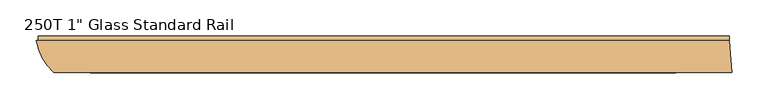
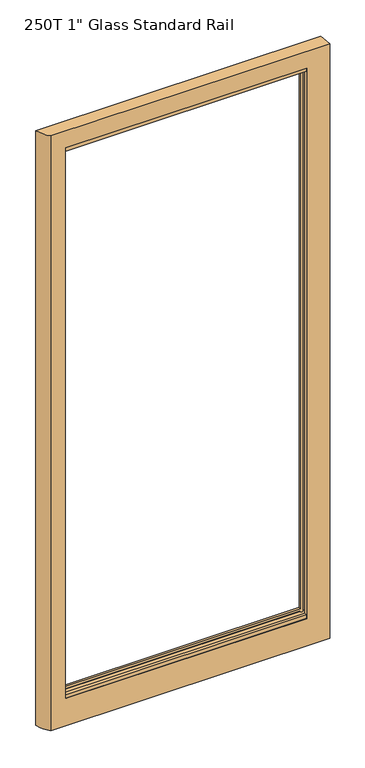
"""IFC4 building model written with IfcOpenShell, lengths in millimetres: door geometry."""

from ifc_helpers import new_model, si_unit, frame, origin, place, context, project, spatial, polyline, circle_curve, outline, extrude, source, transform, mapped, element, save
from ifc_brep_helpers import plane_surface, cylinder_surface, advanced_brep


def door_a4904df4(model_context):
    return source(origin(), model_context, "Body", "SolidModel", [
        advanced_brep(
        [(-479.6437266, -12.7, 2127.25), (476.6373512, -12.7, 2127.25), (476.6373512, -12.7, 17.4625), (-479.6437266, -12.7, 17.4625), (403.225, -12.7, 127.0), (403.225, -12.7, 2054.225), (-404.8125, -12.7, 2054.225), (-404.8125, -12.7, 127.0), (-404.8125, -15.875, 119.3799225), (-404.8125, -15.875, 114.3), (403.225, -15.875, 114.3), (403.225, -15.875, 119.3799225), (403.225, -53.975, 119.3799225), (403.225, -53.975, 114.3), (-404.8125, -53.975, 114.3), (-404.8125, -53.975, 119.3799225), (-404.8125, -55.5625, 127.0), (-404.8125, -55.5625, 114.3), (403.225, -55.5625, 114.3), (403.225, -55.5625, 127.0), (-404.8125, -53.975, 2061.5671875), (-404.8125, -53.975, 2066.925), (403.225, -53.975, 2066.925), (403.225, -53.975, 2061.5671875), (403.225, -15.875, 2061.5671875), (403.225, -15.875, 2066.925), (-404.8125, -15.875, 2066.925), (-404.8125, -15.875, 2061.5671875), (403.225, -55.5625, 2054.225), (403.225, -55.5625, 2066.925), (-404.8125, -55.5625, 2066.925), (-404.8125, -55.5625, 2054.225), (-404.8125, -19.84375, 127.0), (403.225, -19.84375, 127.0), (-404.8125, -19.84375, 119.3799225), (403.225, -19.84375, 119.3799225), (403.225, -45.24375, 119.3799225), (-404.8125, -45.24375, 119.3799225), (-404.8125, -45.24375, 127.0), (403.225, -45.24375, 127.0), (403.225, -19.84375, 2061.5671875), (-404.8125, -19.84375, 2061.5671875), (-404.8125, -19.84375, 2054.225), (403.225, -19.84375, 2054.225), (-404.8125, -45.24375, 2054.225), (403.225, -45.24375, 2054.225), (-404.8125, -45.24375, 2061.5671875), (403.225, -45.24375, 2061.5671875), (-455.6012723, -57.15, 2127.25), (480.21875, -57.15, 2127.25), (480.21875, -57.15, 17.4625), (-455.6012723, -57.15, 17.4625), (-423.8625, -15.875, 114.3), (-423.8625, -15.875, 2066.925), (-423.8625, -55.5625, 2066.925), (-423.8625, -55.5625, 114.3), (-404.8125, -57.15, 114.3), (-404.8125, -57.15, 2066.925), (403.225, -57.15, 2066.925), (403.225, -57.15, 114.3), (422.275, -55.5625, 114.3), (422.275, -55.5625, 2066.925), (422.275, -15.875, 2066.925), (422.275, -15.875, 114.3), (-404.8125, -19.84375, 114.3), (-412.1277013, -19.84375, 114.3), (-412.1277013, -15.875, 114.3), (-412.1277013, -55.5625, 114.3), (-412.1277013, -45.24375, 114.3), (-404.8125, -45.24375, 114.3), (403.225, -45.24375, 114.3), (410.5671875, -45.24375, 114.3), (410.5671875, -55.5625, 114.3), (410.5671875, -15.875, 114.3), (410.5671875, -19.84375, 114.3), (403.225, -19.84375, 114.3), (-404.8125, -45.24375, 2066.925), (-412.1277013, -45.24375, 2066.925), (-412.1277013, -55.5625, 2066.925), (-412.1277013, -15.875, 2066.925), (-412.1277013, -19.84375, 2066.925), (-404.8125, -19.84375, 2066.925), (403.225, -19.84375, 2066.925), (410.5671875, -19.84375, 2066.925), (410.5671875, -15.875, 2066.925), (410.5671875, -55.5625, 2066.925), (410.5671875, -45.24375, 2066.925), (403.225, -45.24375, 2066.925)],
        [
            (0, 1),
            (1, 2),
            (2, 3),
            (3, 0),
            (4, 5),
            (5, 6),
            (6, 7),
            (7, 4),
            (8, 9),
            (9, 10),
            (10, 11),
            (11, 8),
            (12, 13),
            (13, 14),
            (14, 15),
            (15, 12),
            (16, 17),
            (17, 18),
            (18, 19),
            (19, 16),
            (20, 21),
            (21, 22),
            (22, 23),
            (23, 20),
            (24, 25),
            (25, 26),
            (26, 27),
            (27, 24),
            (28, 29),
            (29, 30),
            (30, 31),
            (31, 28),
            (7, 32),
            (32, 33),
            (33, 4),
            (34, 8),
            (11, 35),
            (35, 34),
            (36, 12),
            (15, 37),
            (37, 36),
            (38, 16),
            (19, 39),
            (39, 38),
            (40, 24),
            (27, 41),
            (41, 40),
            (42, 6),
            (5, 43),
            (43, 42),
            (31, 44),
            (44, 45),
            (45, 28),
            (46, 20),
            (23, 47),
            (47, 46),
            (48, 49),
            (49, 1),
            (0, 48, circle_curve(frame((-403.0527085, 0.0, 2127.25), z_axis=(0.0, 0.0, 1.0), x_axis=(1.0, 0.0, 0.0)), 77.6368087)),
            (2, 50),
            (50, 51),
            (51, 3, circle_curve(frame((-403.0527085, 0.0, 17.4625), z_axis=(0.0, 0.0, -1.0), x_axis=(1.0, 0.0, 0.0)), 77.6368087)),
            (51, 48),
            (52, 53),
            (53, 54),
            (54, 55),
            (55, 52),
            (50, 49),
            (56, 57),
            (57, 58),
            (58, 59),
            (59, 56),
            (60, 61),
            (61, 62),
            (62, 63),
            (63, 60),
            (9, 64),
            (64, 65),
            (65, 66),
            (66, 52),
            (55, 67),
            (67, 68),
            (68, 69),
            (69, 14),
            (13, 70),
            (70, 71),
            (71, 72),
            (72, 60),
            (63, 73),
            (73, 74),
            (74, 75),
            (75, 10),
            (17, 56),
            (59, 18),
            (21, 76),
            (76, 77),
            (77, 78),
            (78, 54),
            (53, 79),
            (79, 80),
            (80, 81),
            (81, 26),
            (25, 82),
            (82, 83),
            (83, 84),
            (84, 62),
            (61, 85),
            (85, 86),
            (86, 87),
            (87, 22),
            (29, 58),
            (57, 30),
            (78, 67),
            (72, 85),
            (66, 79),
            (84, 73),
            (42, 32),
            (81, 41),
            (34, 64),
            (65, 80),
            (69, 37),
            (38, 44),
            (46, 76),
            (77, 68),
            (87, 47),
            (36, 70),
            (45, 39),
            (71, 86),
            (33, 43),
            (75, 35),
            (40, 82),
            (83, 74),
        ],
        [
            plane_surface(frame((-404.8125, -12.7, 114.3), z_axis=(0.0, 1.0, 0.0), x_axis=(1.0, 0.0, 0.0))),
            plane_surface(frame((-404.8125, -15.875, 119.3799225), z_axis=(0.0, -1.0, 0.0), x_axis=(1.0, 0.0, 0.0))),
            plane_surface(frame((-404.8125, -53.975, 114.3), z_axis=(0.0, 1.0, 0.0), x_axis=(1.0, 0.0, 0.0))),
            plane_surface(frame((-404.8125, -55.5625, 119.3799225), z_axis=(0.0, -1.0, 0.0), x_axis=(1.0, 0.0, 0.0))),
            plane_surface(frame((-404.8125, -53.975, 2061.5671875), z_axis=(0.0, 1.0, 0.0), x_axis=(1.0, 0.0, 0.0))),
            plane_surface(frame((-404.8125, -15.875, 2066.925), z_axis=(0.0, -1.0, 0.0), x_axis=(1.0, 0.0, 0.0))),
            plane_surface(frame((-404.8125, -55.5625, 2066.925), z_axis=(0.0, -1.0, 0.0), x_axis=(1.0, 0.0, 0.0))),
            plane_surface(frame((-404.8125, -12.7, 127.0), z_axis=(0.0, 0.0, 1.0), x_axis=(1.0, 0.0, 0.0))),
            plane_surface(frame((-404.8125, -19.84375, 119.3799225), z_axis=(0.0, 0.0, -1.0), x_axis=(1.0, 0.0, 0.0))),
            plane_surface(frame((-404.8125, -55.5625, 119.3799225), z_axis=(0.0, 0.0, -1.0), x_axis=(1.0, 0.0, 0.0))),
            plane_surface(frame((-404.8125, -45.24375, 127.0), z_axis=(0.0, 0.0, 1.0), x_axis=(1.0, 0.0, 0.0))),
            plane_surface(frame((-404.8125, -12.7, 2061.5671875), z_axis=(0.0, 0.0, 1.0), x_axis=(1.0, 0.0, 0.0))),
            plane_surface(frame((-404.8125, -19.84375, 2054.225), z_axis=(0.0, 0.0, -1.0), x_axis=(1.0, 0.0, 0.0))),
            plane_surface(frame((-404.8125, -55.5625, 2054.225), z_axis=(0.0, 0.0, -1.0), x_axis=(1.0, 0.0, 0.0))),
            plane_surface(frame((-404.8125, -45.24375, 2061.5671875), z_axis=(0.0, 0.0, 1.0), x_axis=(1.0, 0.0, 0.0))),
            plane_surface(frame((-325.4158998, 0.0, 2127.25), z_axis=(0.0, 0.0, 1.0), x_axis=(0.0, -1.0, 0.0))),
            plane_surface(frame((-325.4158998, 0.0, 17.4625), z_axis=(0.0, 0.0, -1.0), x_axis=(0.0, 1.0, 0.0))),
            cylinder_surface(frame((-403.0527085, 0.0, 17.4625), z_axis=(0.0, 0.0, 1.0), x_axis=(1.0, 0.0, 0.0)), 77.6368087),
            plane_surface(frame((-423.8625, -12.7, 2127.25), z_axis=(1.0, 0.0, 0.0), x_axis=(0.0, 0.0, -1.0))),
            plane_surface(frame((-423.8625, -57.15, 2127.25), z_axis=(0.0, -1.0, 0.0), x_axis=(0.0, 0.0, -1.0))),
            plane_surface(frame((422.275, -57.15, 2127.25), z_axis=(-1.0, 0.0, 0.0), x_axis=(0.0, 0.0, -1.0))),
            plane_surface(frame((476.6373512, -12.7, 2127.25), z_axis=(0.9967698431043912, 0.08031114416846193, 0.0), x_axis=(0.0, 0.0, -1.0))),
            plane_surface(frame((-423.8625, -12.7, 114.3), z_axis=(0.0, 0.0, 1.0), x_axis=(1.0, 0.0, 0.0))),
            plane_surface(frame((-423.8625, -57.15, 2066.925), z_axis=(0.0, 0.0, -1.0), x_axis=(1.0, 0.0, 0.0))),
            plane_surface(frame((-423.8625, -55.5625, 2066.925), z_axis=(0.0, 1.0, 0.0), x_axis=(0.0, 0.0, -1.0))),
            plane_surface(frame((410.5671875, -55.5625, 2066.925), z_axis=(0.0, 1.0, 0.0), x_axis=(0.0, 0.0, -1.0))),
            plane_surface(frame((-412.1277013, -15.875, 2066.925), z_axis=(0.0, -1.0, 0.0), x_axis=(0.0, 0.0, -1.0))),
            plane_surface(frame((422.275, -15.875, 2066.925), z_axis=(0.0, -1.0, 0.0), x_axis=(0.0, 0.0, -1.0))),
            plane_surface(frame((-404.8125, -12.7, 2066.925), z_axis=(1.0, 0.0, 0.0), x_axis=(0.0, 0.0, -1.0))),
            plane_surface(frame((-412.1277013, -19.84375, 2066.925), z_axis=(-1.0, 0.0, 0.0), x_axis=(0.0, 0.0, -1.0))),
            plane_surface(frame((-404.8125, -45.24375, 2066.925), z_axis=(1.0, 0.0, 0.0), x_axis=(0.0, 0.0, -1.0))),
            plane_surface(frame((-412.1277013, -57.15, 2066.925), z_axis=(-1.0, 0.0, 0.0), x_axis=(0.0, 0.0, -1.0))),
            plane_surface(frame((403.225, -57.15, 2066.925), z_axis=(-1.0, 0.0, 0.0), x_axis=(0.0, 0.0, -1.0))),
            plane_surface(frame((410.5671875, -45.24375, 2066.925), z_axis=(1.0, 0.0, 0.0), x_axis=(0.0, 0.0, -1.0))),
            plane_surface(frame((403.225, -19.84375, 2066.925), z_axis=(-1.0, 0.0, 0.0), x_axis=(0.0, 0.0, -1.0))),
            plane_surface(frame((410.5671875, -12.7, 2066.925), z_axis=(1.0, 0.0, 0.0), x_axis=(0.0, 0.0, -1.0))),
            plane_surface(frame((-404.8125, -45.24375, 119.3799225), z_axis=(0.0, 1.0, 0.0), x_axis=(1.0, 0.0, 0.0))),
            plane_surface(frame((-404.8125, -19.84375, 127.0), z_axis=(0.0, -1.0, 0.0), x_axis=(1.0, 0.0, 0.0))),
        ],
        [
            (0, [[1, 2, 3, 4], [5, 6, 7, 8]]),
            (1, [[9, 10, 11, 12]]),
            (2, [[13, 14, 15, 16]]),
            (3, [[17, 18, 19, 20]]),
            (4, [[21, 22, 23, 24]]),
            (5, [[25, 26, 27, 28]]),
            (6, [[29, 30, 31, 32]]),
            (7, [[33, 34, 35, -8]]),
            (8, [[36, -12, 37, 38]]),
            (9, [[39, -16, 40, 41]]),
            (10, [[42, -20, 43, 44]]),
            (11, [[45, -28, 46, 47]]),
            (12, [[48, -6, 49, 50]]),
            (13, [[51, 52, 53, -32]]),
            (14, [[54, -24, 55, 56]]),
            (15, [[57, 58, -1, 59]]),
            (16, [[-3, 60, 61, 62]]),
            (17, [[-4, -62, 63, -59]]),
            (18, [[64, 65, 66, 67]]),
            (19, [[-61, 68, -57, -63], [69, 70, 71, 72]]),
            (20, [[73, 74, 75, 76]]),
            (21, [[-68, -60, -2, -58]]),
            (22, [[77, 78, 79, 80, -67, 81, 82, 83, 84, -14, 85, 86, 87, 88, -76, 89, 90, 91, 92, -10]]),
            (22, [[93, -72, 94, -18]]),
            (23, [[95, 96, 97, 98, -65, 99, 100, 101, 102, -26, 103, 104, 105, 106, -74, 107, 108, 109, 110, -22]]),
            (23, [[111, -70, 112, -30]]),
            (24, [[-98, 113, -81, -66]]),
            (25, [[-88, 114, -107, -73]]),
            (26, [[-80, 115, -99, -64]]),
            (27, [[-106, 116, -89, -75]]),
            (28, [[-33, -7, -48, 117]]),
            (28, [[-46, -27, -102, 118]]),
            (28, [[-77, -9, -36, 119]]),
            (29, [[-100, -115, -79, 120]]),
            (30, [[-40, -15, -84, 121]]),
            (30, [[-93, -17, -42, 122, -51, -31, -112, -69]]),
            (30, [[-95, -21, -54, 123]]),
            (31, [[-82, -113, -97, 124]]),
            (32, [[-55, -23, -110, 125]]),
            (32, [[-85, -13, -39, 126]]),
            (32, [[-111, -29, -53, 127, -43, -19, -94, -71]]),
            (33, [[-108, -114, -87, 128]]),
            (34, [[-35, 129, -49, -5]]),
            (34, [[-37, -11, -92, 130]]),
            (34, [[-103, -25, -45, 131]]),
            (35, [[-90, -116, -105, 132]]),
            (36, [[-121, -83, -124, -96, -123, -56, -125, -109, -128, -86, -126, -41], [-44, -127, -52, -122]]),
            (37, [[-101, -120, -78, -119, -38, -130, -91, -132, -104, -131, -47, -118], [-117, -50, -129, -34]]),
        ],
    ),
        extrude(outline(polyline([(-12.7, 39.7856604), (-6.7437, 38.3005881), (-6.7437, 17.4625), (-12.7, 17.4625), (-12.7, 39.7856604)])), frame((-476.7677763, 0.0, 0.0), z_axis=(1.0, 0.0, 0.0), x_axis=(0.0, 1.0, 0.0)), (0.0, 0.0, 1.0), 953.4051274),
    ])


if __name__ == "__main__":
    model = new_model("IFC4")
    model_context = context("Model", 3, world=origin())
    ifc_project = project(units=[si_unit("LENGTHUNIT", "METRE", prefix="MILLI")], contexts=[model_context])
    site = spatial("IfcSite", under=ifc_project)
    building = spatial("IfcBuilding", under=site)
    placement = place(None, origin())
    door_shape = door_a4904df4(model_context)
    element("IfcDoor", 1, ObjectType="250T 1\" Glass Standard Rail", at=placement, inside=building, context=model_context, shape_type="MappedRepresentation", body=[
        mapped(door_shape, transform((0.0, 0.0, 0.0), x_axis=(1.0, 0.0, 0.0), y_axis=(0.0, 1.0, 0.0), z_axis=(0.0, 0.0, 1.0))),
    ])
    save(model, "model.ifc")
